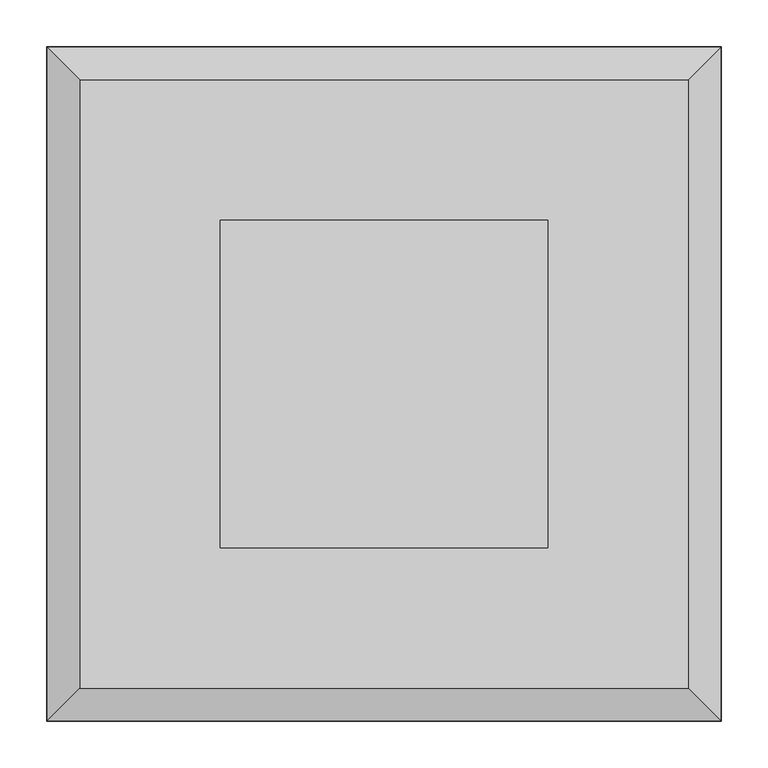
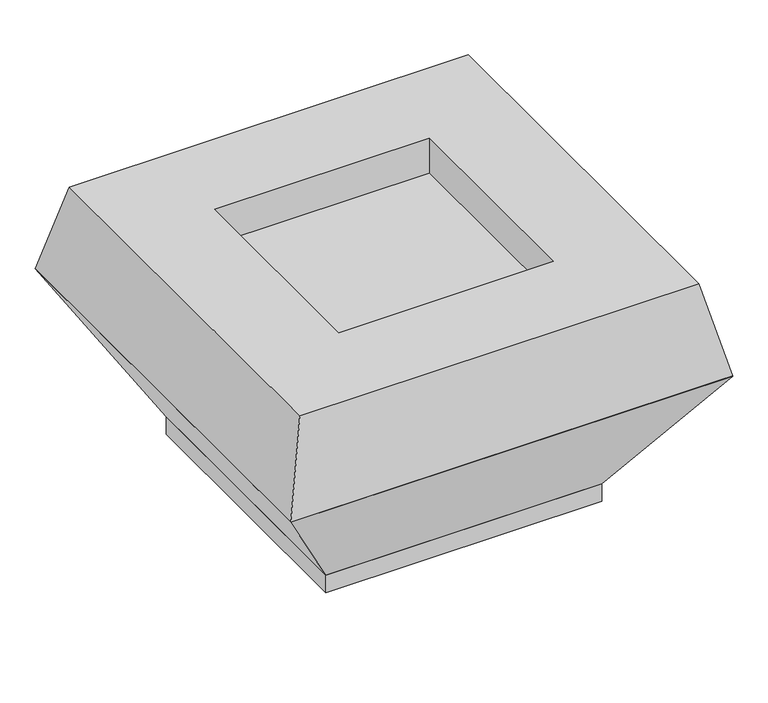
"""IFC4 building model written with IfcOpenShell, lengths in millimetres: proxy geometry."""

from ifc_helpers import new_model, si_unit, origin, origin_with_axes, place, context, project, spatial, polyline, outline, extrude, faceted_brep, source, transform, mapped, element, save


def mechanical_equipment_252b5b19(model_context):
    return source(origin(), model_context, "Body", "SolidModel", [
        faceted_brep([(360.0, -360.0, 250.0), (360.0, 360.0, 250.0), (-360.0, 360.0, 250.0), (-360.0, -360.0, 250.0), (225.0, -225.0, 30.0), (-225.0, -225.0, 30.0), (-225.0, 225.0, 30.0), (225.0, 225.0, 30.0)], [[[0, 1, 2, 3]], [[4, 5, 6, 7]], [[4, 0, 3, 5]], [[5, 3, 2, 6]], [[6, 2, 1, 7]], [[7, 1, 0, 4]]]),
        faceted_brep([(325.0, -325.0, 400.0), (325.0, 325.0, 400.0), (-325.0, 325.0, 400.0), (-325.0, -325.0, 400.0), (-175.0, -175.0, 400.0), (-175.0, 175.0, 400.0), (175.0, 175.0, 400.0), (175.0, -175.0, 400.0), (360.0, -360.0, 250.0), (-360.0, -360.0, 250.0), (-360.0, 360.0, 250.0), (360.0, 360.0, 250.0), (175.0, -175.0, 340.0), (175.0, 175.0, 340.0), (-175.0, 175.0, 340.0), (-175.0, -175.0, 340.0)], [[[0, 1, 2, 3], [4, 5, 6, 7]], [[8, 9, 10, 11]], [[3, 9, 8, 0]], [[2, 10, 9, 3]], [[1, 11, 10, 2]], [[0, 8, 11, 1]], [[12, 13, 14, 15]], [[15, 4, 7, 12]], [[14, 5, 4, 15]], [[13, 6, 5, 14]], [[12, 7, 6, 13]]]),
        extrude(outline(polyline([(225.0, -225.0), (-225.0, -225.0), (-225.0, 225.0), (225.0, 225.0), (225.0, -225.0)])), origin_with_axes(), (0.0, 0.0, 1.0), 30.0),
    ])


if __name__ == "__main__":
    model = new_model("IFC4")
    model_context = context("Model", 3, world=origin())
    ifc_project = project(units=[si_unit("LENGTHUNIT", "METRE", prefix="MILLI")], contexts=[model_context])
    site = spatial("IfcSite", under=ifc_project)
    building = spatial("IfcBuilding", under=site)
    placement = place(None, origin())
    mechanical_equipment_shape = mechanical_equipment_252b5b19(model_context)
    element("IfcBuildingElementProxy", 1, Name="Mechanical Equipment", at=placement, inside=building, context=model_context, shape_type="MappedRepresentation", body=[
        mapped(mechanical_equipment_shape, transform((0.0, 0.0, 0.0), x_axis=(1.0, 0.0, 0.0), y_axis=(0.0, 1.0, 0.0), z_axis=(0.0, 0.0, 1.0))),
    ])
    save(model, "model.ifc")
